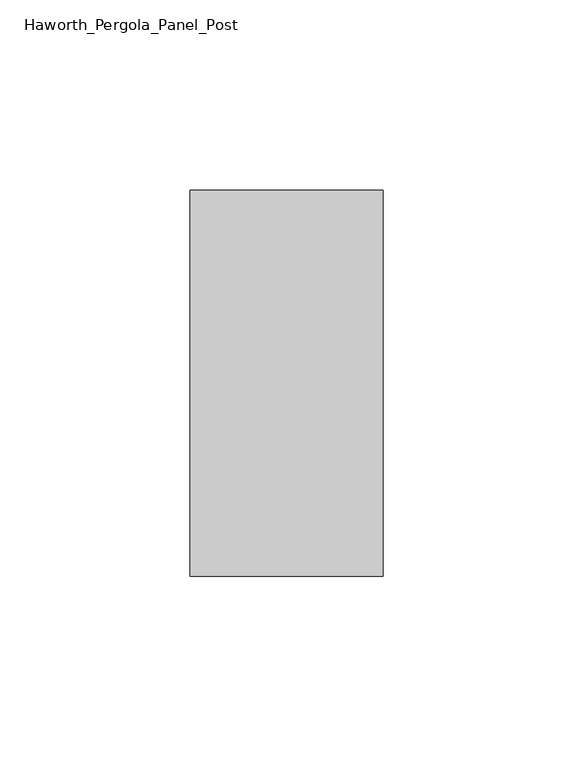
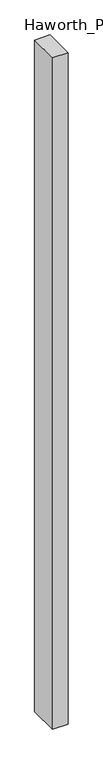
"""IFC4 building model written with IfcOpenShell, lengths in millimetres: furniture geometry, Haworth_Pergola_Panel_Post."""

from ifc_helpers import new_model, si_unit, point, frame, frame_2d, origin, origin_with_axes, place, context, project, spatial, polyline, circle_curve, trimmed, segment, composite_curve, outline, extrude, source, transform, mapped, element, save


def haworth_pergola_panel_post_ba5553ec(model_context):
    return source(origin(), model_context, "Body", "SweptSolid", [
        extrude(outline(composite_curve([segment(trimmed(circle_curve(frame_2d((12.7000008, 0.0)), 9.525), [point((3.1750008, 0.0))], [point((22.2250008, 0.0))], False, "CARTESIAN"), True, "CONTINUOUS"), segment(trimmed(circle_curve(frame_2d((12.7000008, 0.0)), 9.525), [point((22.2250008, 0.0))], [point((3.1750008, 0.0))], False, "CARTESIAN"), True, "CONTINUOUS")], self_intersect=False)), origin_with_axes(), (0.0, 0.0, 1.0), 12.7),
        extrude(outline(polyline([(38.1, 50.8), (38.1, -50.8), (-12.7, -50.8), (-12.7, 50.8), (38.1, 50.8)])), frame((0.0, 0.0, 12.7), z_axis=(0.0, 0.0, 1.0), x_axis=(1.0, 0.0, 0.0)), (0.0, 0.0, 1.0), 2319.1390625),
    ])


if __name__ == "__main__":
    model = new_model("IFC4")
    model_context = context("Model", 3, world=origin())
    ifc_project = project(units=[si_unit("LENGTHUNIT", "METRE", prefix="MILLI")], contexts=[model_context])
    site = spatial("IfcSite", under=ifc_project)
    building = spatial("IfcBuilding", under=site)
    placement = place(None, origin())
    haworth_pergola_panel_post_shape = haworth_pergola_panel_post_ba5553ec(model_context)
    element("IfcFurniture", 1, ObjectType="Haworth_Pergola_Panel_Post", at=placement, inside=building, context=model_context, shape_type="MappedRepresentation", body=[
        mapped(haworth_pergola_panel_post_shape, transform((0.0, 0.0, 0.0), x_axis=(1.0, 0.0, 0.0), y_axis=(0.0, 1.0, 0.0), z_axis=(0.0, 0.0, 1.0))),
    ])
    save(model, "model.ifc")
